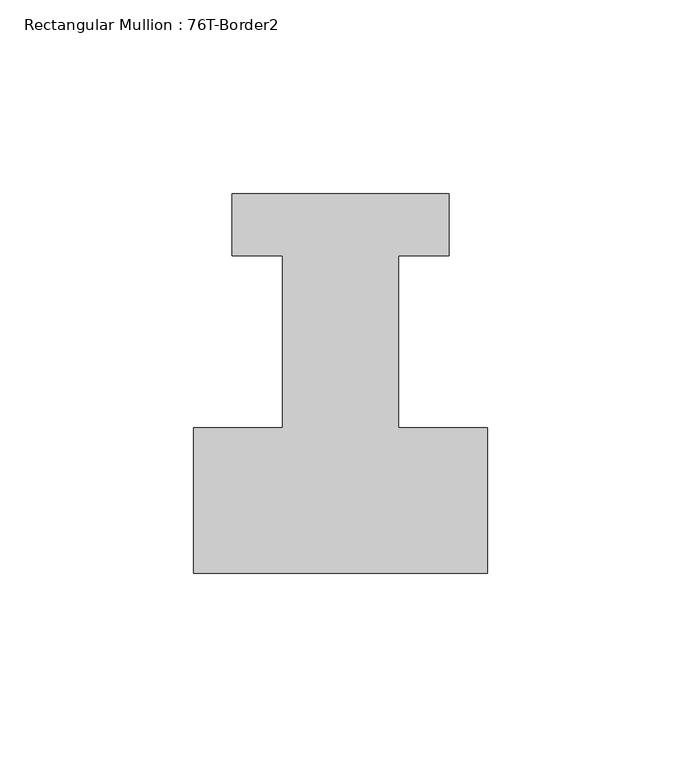
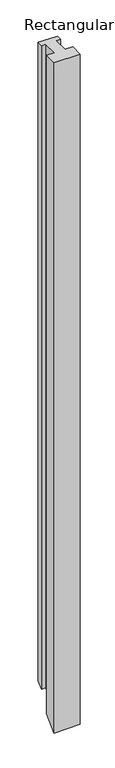
"""IFC4 building model written with IfcOpenShell, lengths in millimetres: member geometry, Rectangular Mullion : 76T-Border2."""

from ifc_helpers import new_model, si_unit, origin, place, context, project, spatial, faceted_brep, source, transform, mapped, element, save


def rectangular_mullion_76t_border2_9dfc38ab(model_context):
    return source(origin(), model_context, "Body", "Brep", [
        faceted_brep([(0.0, -38.0, 0.0), (0.0, -0.5, 0.0), (-23.0, -0.5, 0.0), (-23.0, 44.0, 0.0), (-10.0, 44.0, 0.0), (-10.0, 60.0, 0.0), (-66.0, 60.0, 0.0), (-66.0, 44.0, 0.0), (-53.0, 44.0, 0.0), (-53.0, -0.5, 0.0), (-76.0, -0.5, 0.0), (-76.0, -38.0, 0.0), (0.0, -38.0, -2062.0), (0.0, -0.5, -2024.5), (-23.0, -0.5, -2024.5), (-23.0, 44.0, -1980.0), (-10.0, 44.0, -1980.0), (-10.0, 60.0, -1964.0), (-66.0, 60.0, -1964.0), (-66.0, 44.0, -1980.0), (-53.0, 44.0, -1980.0), (-53.0, -0.5, -2024.5), (-76.0, -0.5, -2024.5), (-76.0, -38.0, -2062.0)], [[[0, 1, 2, 3, 4, 5, 6, 7, 8, 9, 10, 11]], [[1, 0, 12, 13]], [[2, 1, 13, 14]], [[3, 2, 14, 15]], [[4, 3, 15, 16]], [[5, 4, 16, 17]], [[6, 5, 17, 18]], [[7, 6, 18, 19]], [[8, 7, 19, 20]], [[9, 8, 20, 21]], [[10, 9, 21, 22]], [[11, 10, 22, 23]], [[0, 11, 23, 12]], [[12, 23, 22, 21, 20, 19, 18, 17, 16, 15, 14, 13]]]),
    ])


if __name__ == "__main__":
    model = new_model("IFC4")
    model_context = context("Model", 3, world=origin())
    ifc_project = project(units=[si_unit("LENGTHUNIT", "METRE", prefix="MILLI")], contexts=[model_context])
    site = spatial("IfcSite", under=ifc_project)
    building = spatial("IfcBuilding", under=site)
    placement = place(None, origin())
    rectangular_mullion_76t_border2_shape = rectangular_mullion_76t_border2_9dfc38ab(model_context)
    element("IfcMember", 1, ObjectType="Rectangular Mullion : 76T-Border2", at=placement, inside=building, context=model_context, shape_type="MappedRepresentation", body=[
        mapped(rectangular_mullion_76t_border2_shape, transform((0.0, 0.0, 0.0), x_axis=(1.0, 0.0, 0.0), y_axis=(0.0, 1.0, 0.0), z_axis=(0.0, 0.0, 1.0))),
    ])
    save(model, "model.ifc")
